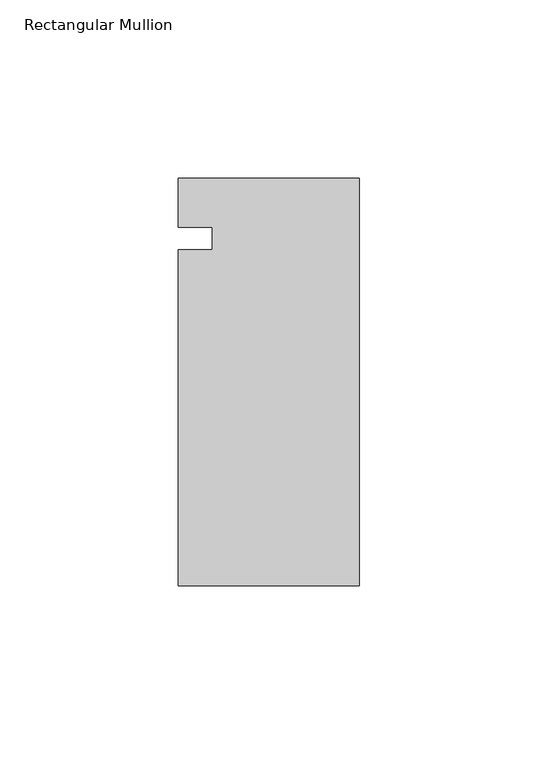
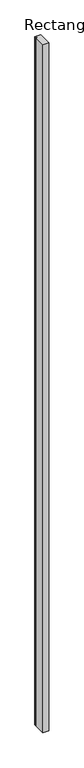
"""IFC4 building model written with IfcOpenShell, lengths in millimetres: member geometry, Rectangular Mullion."""

from ifc_helpers import new_model, si_unit, frame, origin, place, context, project, spatial, polyline, outline, extrude, source, transform, mapped, element, save


def rectangular_mullion_f0f29a7c(model_context):
    return source(origin(), model_context, "Body", "SweptSolid", [
        extrude(outline(polyline([(0.0, -57.2492187), (-50.8, -57.2492187), (-50.8, 36.9460099), (-41.275, 36.9460099), (-41.275, 43.2960099), (-50.8, 43.2960099), (-50.8, 57.0507813), (0.0, 57.0507813), (0.0, -57.2492187)])), frame((0.0, 0.0, -6096.0), z_axis=(0.0, 0.0, 1.0), x_axis=(1.0, 0.0, 0.0)), (0.0, 0.0, 1.0), 6096.0),
    ])


if __name__ == "__main__":
    model = new_model("IFC4")
    model_context = context("Model", 3, world=origin())
    ifc_project = project(units=[si_unit("LENGTHUNIT", "METRE", prefix="MILLI")], contexts=[model_context])
    site = spatial("IfcSite", under=ifc_project)
    building = spatial("IfcBuilding", under=site)
    placement = place(None, origin())
    rectangular_mullion_shape = rectangular_mullion_f0f29a7c(model_context)
    element("IfcMember", 1, ObjectType="Rectangular Mullion", at=placement, inside=building, context=model_context, shape_type="MappedRepresentation", body=[
        mapped(rectangular_mullion_shape, transform((0.0, 0.0, 0.0), x_axis=(1.0, 0.0, 0.0), y_axis=(0.0, 1.0, 0.0), z_axis=(0.0, 0.0, 1.0))),
    ])
    save(model, "model.ifc")
